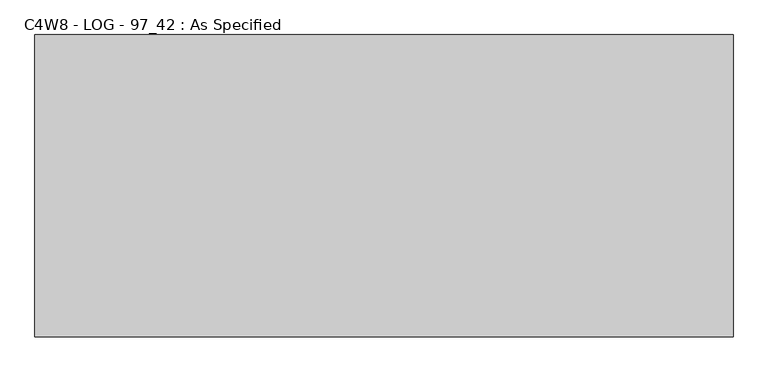
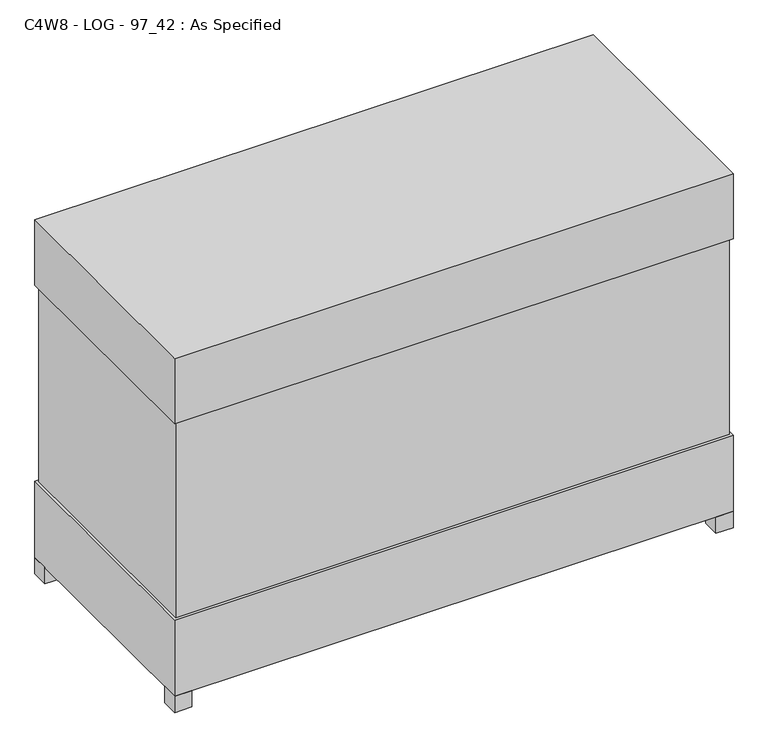
"""IFC4 building model written with IfcOpenShell, lengths in millimetres: proxy geometry, C4W8 - LOG - 97_42 : As Specified."""

from ifc_helpers import new_model, si_unit, frame, origin, origin_with_axes, place, context, project, spatial, polyline, outline, extrude, source, transform, mapped, element, save


def c4w8_log_97_42_as_specified_f4ddd948(model_context):
    return source(origin(), model_context, "Body", "SweptSolid", [
        extrude(outline(polyline([(1220.7875, 522.2875), (1220.7875, -522.2875), (-1220.7875, -522.2875), (-1220.7875, 522.2875), (1220.7875, 522.2875)])), frame((0.0, 0.0, 431.8), z_axis=(0.0, 0.0, 1.0), x_axis=(1.0, 0.0, 0.0)), (0.0, 0.0, 1.0), 914.4),
        extrude(outline(polyline([(1231.9, 533.4), (1231.9, -533.4), (-1231.9, -533.4), (-1231.9, 533.4), (1231.9, 533.4)])), frame((0.0, 0.0, 1346.2), z_axis=(0.0, 0.0, 1.0), x_axis=(1.0, 0.0, 0.0)), (0.0, 0.0, 1.0), 304.8),
        extrude(outline(polyline([(1117.6, 317.5), (1117.6, 241.3), (1041.4, 241.3), (1041.4, 317.5), (1117.6, 317.5)])), frame((0.0, 0.0, 50.8), z_axis=(0.0, 0.0, 1.0), x_axis=(1.0, 0.0, 0.0)), (0.0, 0.0, 1.0), 25.4),
        extrude(outline(polyline([(1117.6, -241.3), (1117.6, -317.5), (1041.4, -317.5), (1041.4, -241.3), (1117.6, -241.3)])), frame((0.0, 0.0, 50.8), z_axis=(0.0, 0.0, 1.0), x_axis=(1.0, 0.0, 0.0)), (0.0, 0.0, 1.0), 25.4),
        extrude(outline(polyline([(-1155.7, 533.4), (-1155.7, 457.2), (-1231.9, 457.2), (-1231.9, 533.4), (-1155.7, 533.4)])), origin_with_axes(), (0.0, 0.0, 1.0), 76.2),
        extrude(outline(polyline([(1231.9, 533.4), (1231.9, 457.2), (1155.7, 457.2), (1155.7, 533.4), (1231.9, 533.4)])), origin_with_axes(), (0.0, 0.0, 1.0), 76.2),
        extrude(outline(polyline([(1231.9, -457.2), (1231.9, -533.4), (1155.7, -533.4), (1155.7, -457.2), (1231.9, -457.2)])), origin_with_axes(), (0.0, 0.0, 1.0), 76.2),
        extrude(outline(polyline([(-1155.7, -457.2), (-1155.7, -533.4), (-1231.9, -533.4), (-1231.9, -457.2), (-1155.7, -457.2)])), origin_with_axes(), (0.0, 0.0, 1.0), 76.2),
        extrude(outline(polyline([(1231.9, 533.4), (1231.9, -533.4), (-1231.9, -533.4), (-1231.9, 533.4), (1231.9, 533.4)])), frame((0.0, 0.0, 76.2), z_axis=(0.0, 0.0, 1.0), x_axis=(1.0, 0.0, 0.0)), (0.0, 0.0, 1.0), 355.6),
    ])


if __name__ == "__main__":
    model = new_model("IFC4")
    model_context = context("Model", 3, world=origin())
    ifc_project = project(units=[si_unit("LENGTHUNIT", "METRE", prefix="MILLI")], contexts=[model_context])
    site = spatial("IfcSite", under=ifc_project)
    building = spatial("IfcBuilding", under=site)
    placement = place(None, origin())
    c4w8_log_97_42_as_specified_shape = c4w8_log_97_42_as_specified_f4ddd948(model_context)
    element("IfcBuildingElementProxy", 1, Name="C4W8 - LOG - 97_42 : As Specified", ObjectType="C4W8 - LOG - 97_42 : As Specified", at=placement, inside=building, context=model_context, shape_type="MappedRepresentation", body=[
        mapped(c4w8_log_97_42_as_specified_shape, transform((0.0, 0.0, 0.0), x_axis=(1.0, 0.0, 0.0), y_axis=(0.0, 1.0, 0.0), z_axis=(0.0, 0.0, 1.0))),
    ])
    save(model, "model.ifc")
